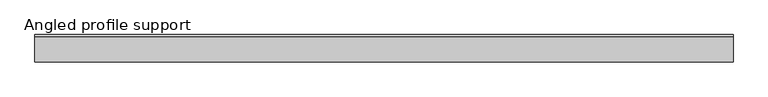
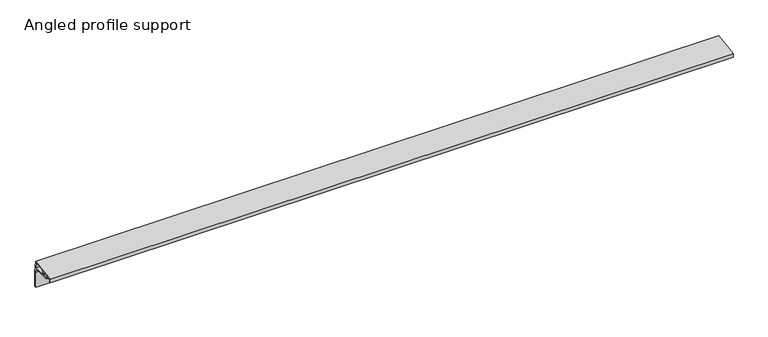
"""IFC4 building model written with IfcOpenShell, lengths in millimetres: proxy geometry, Angled profile support."""

from ifc_helpers import new_model, si_unit, frame, origin, place, context, project, spatial, polyline, outline, extrude, source, transform, mapped, element, save


def angled_profile_support_7cb2f0f4(model_context):
    return source(origin(), model_context, "Body", "SweptSolid", [
        extrude(outline(polyline([(0.0, 71.0), (74.8655257, 82.2298289), (80.0, 48.0), (80.0, 0.0), (75.0, 0.0), (75.0, 48.0), (73.2, 60.0), (37.0, 60.0), (21.5, 60.0), (21.5, 63.0), (36.5, 63.0), (36.5, 73.4414377), (3.0, 68.4164377), (3.0, 60.0), (0.0, 60.0), (0.0, 71.0)]), holes=[polyline([(71.3548016, 78.669658), (42.5416642, 74.3476874), (42.5416642, 63.0), (73.7052503, 63.0), (71.3548016, 78.669658)])]), frame((0.0, 0.0, 0.0), z_axis=(1.0, 0.0, 0.0), x_axis=(0.0, 1.0, 0.0)), (0.0, 0.0, 1.0), 2045.0),
    ])


if __name__ == "__main__":
    model = new_model("IFC4")
    model_context = context("Model", 3, world=origin())
    ifc_project = project(units=[si_unit("LENGTHUNIT", "METRE", prefix="MILLI")], contexts=[model_context])
    site = spatial("IfcSite", under=ifc_project)
    building = spatial("IfcBuilding", under=site)
    placement = place(None, origin())
    angled_profile_support_shape = angled_profile_support_7cb2f0f4(model_context)
    element("IfcBuildingElementProxy", 1, Name="Angled profile support", ObjectType="Angled profile support", at=placement, inside=building, context=model_context, shape_type="MappedRepresentation", body=[
        mapped(angled_profile_support_shape, transform((0.0, 0.0, 0.0), x_axis=(1.0, 0.0, 0.0), y_axis=(0.0, 1.0, 0.0), z_axis=(0.0, 0.0, 1.0))),
    ])
    save(model, "model.ifc")
